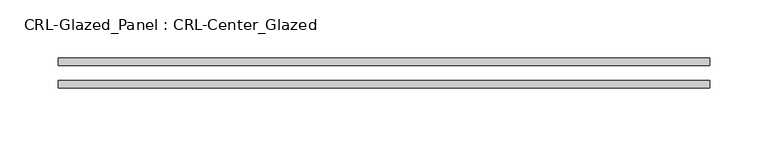
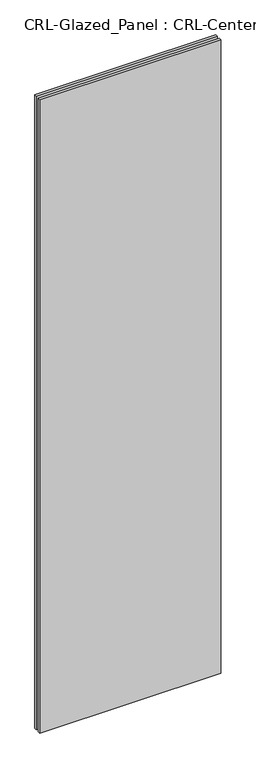
"""IFC4 building model written with IfcOpenShell, lengths in millimetres: plate geometry, CRL-Glazed_Panel : CRL-Center_Glazed."""

from ifc_helpers import new_model, si_unit, origin, origin_with_axes, place, context, project, spatial, polyline, outline, extrude, source, transform, mapped, element, save


def crl_glazed_panel_crl_center_glazed_6f349b57(model_context):
    return source(origin(), model_context, "Body", "SweptSolid", [
        extrude(outline(polyline([(278.4347397, -12.7), (-278.4347397, -12.7), (-278.4347397, -6.35), (278.4347397, -6.35), (278.4347397, -12.7)])), origin_with_axes(), (0.0, 0.0, 1.0), 2060.575),
        extrude(outline(polyline([(-278.4347397, 6.35), (-278.4347397, 12.7), (278.4347397, 12.7), (278.4347397, 6.35), (-278.4347397, 6.35)])), origin_with_axes(), (0.0, 0.0, 1.0), 2060.575),
    ])


if __name__ == "__main__":
    model = new_model("IFC4")
    model_context = context("Model", 3, world=origin())
    ifc_project = project(units=[si_unit("LENGTHUNIT", "METRE", prefix="MILLI")], contexts=[model_context])
    site = spatial("IfcSite", under=ifc_project)
    building = spatial("IfcBuilding", under=site)
    placement = place(None, origin())
    crl_glazed_panel_crl_center_glazed_shape = crl_glazed_panel_crl_center_glazed_6f349b57(model_context)
    element("IfcPlate", 1, ObjectType="CRL-Glazed_Panel : CRL-Center_Glazed", at=placement, inside=building, context=model_context, shape_type="MappedRepresentation", body=[
        mapped(crl_glazed_panel_crl_center_glazed_shape, transform((0.0, 0.0, 0.0), x_axis=(1.0, 0.0, 0.0), y_axis=(0.0, 1.0, 0.0), z_axis=(0.0, 0.0, 1.0))),
    ])
    save(model, "model.ifc")
